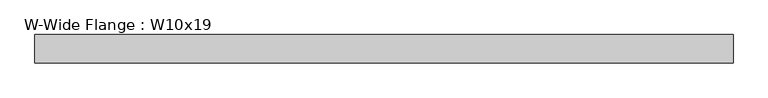
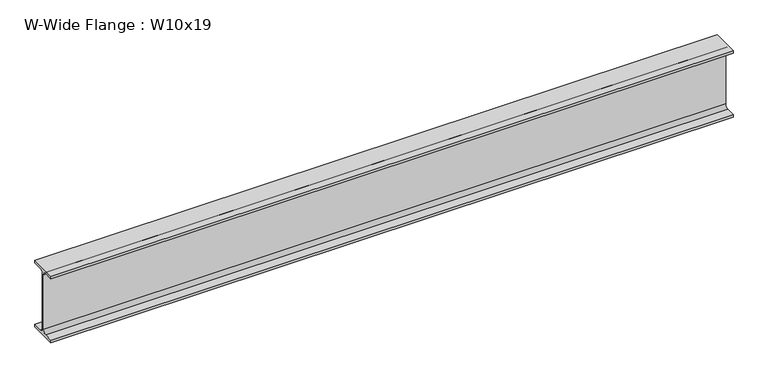
"""IFC4 building model written with IfcOpenShell, lengths in millimetres: beam geometry, W-Wide Flange : W10x19."""

from ifc_helpers import new_model, si_unit, point, frame, frame_2d, origin, place, context, project, spatial, polyline, circle_curve, trimmed, segment, composite_curve, outline, extrude, source, transform, mapped, element, save


def w_wide_flange_w10x19_244c411b(model_context):
    return source(origin(), model_context, "Body", "SweptSolid", [
        extrude(outline(composite_curve([segment(polyline([(51.054, -119.507), (51.054, -129.54), (-51.054, -129.54), (-51.054, -119.507), (-16.9545, -119.507)]), True, "CONTINUOUS"), segment(trimmed(circle_curve(frame_2d((-16.9545, -105.7275)), 13.7795), [point((-16.9545, -119.507))], [point((-3.175, -105.7275))], True, "CARTESIAN"), True, "CONTINUOUS"), segment(polyline([(-3.175, -105.7275), (-3.175, 105.7275)]), True, "CONTINUOUS"), segment(trimmed(circle_curve(frame_2d((-16.9545, 105.7275)), 13.7795), [point((-3.175, 105.7275))], [point((-16.9545, 119.507))], True, "CARTESIAN"), True, "CONTINUOUS"), segment(polyline([(-16.9545, 119.507), (-51.054, 119.507), (-51.054, 129.54), (51.054, 129.54), (51.054, 119.507), (16.9545, 119.507)]), True, "CONTINUOUS"), segment(trimmed(circle_curve(frame_2d((16.9545, 105.7275)), 13.7795), [point((16.9545, 119.507))], [point((3.175, 105.7275))], True, "CARTESIAN"), True, "CONTINUOUS"), segment(polyline([(3.175, 105.7275), (3.175, -105.7275)]), True, "CONTINUOUS"), segment(trimmed(circle_curve(frame_2d((16.9545, -105.7275)), 13.7795), [point((3.175, -105.7275))], [point((16.9545, -119.507))], True, "CARTESIAN"), True, "CONTINUOUS"), segment(polyline([(16.9545, -119.507), (51.054, -119.507)]), True, "CONTINUOUS")], self_intersect=False)), frame((-1257.3, 0.0, 0.0), z_axis=(1.0, 0.0, 0.0), x_axis=(0.0, 1.0, 0.0)), (0.0, 0.0, 1.0), 2514.6),
    ])


if __name__ == "__main__":
    model = new_model("IFC4")
    model_context = context("Model", 3, world=origin())
    ifc_project = project(units=[si_unit("LENGTHUNIT", "METRE", prefix="MILLI")], contexts=[model_context])
    site = spatial("IfcSite", under=ifc_project)
    building = spatial("IfcBuilding", under=site)
    placement = place(None, origin())
    w_wide_flange_w10x19_shape = w_wide_flange_w10x19_244c411b(model_context)
    element("IfcBeam", 1, ObjectType="W-Wide Flange : W10x19", at=placement, inside=building, context=model_context, shape_type="MappedRepresentation", body=[
        mapped(w_wide_flange_w10x19_shape, transform((0.0, 0.0, 0.0), x_axis=(1.0, 0.0, 0.0), y_axis=(0.0, 1.0, 0.0), z_axis=(0.0, 0.0, 1.0))),
    ])
    save(model, "model.ifc")
